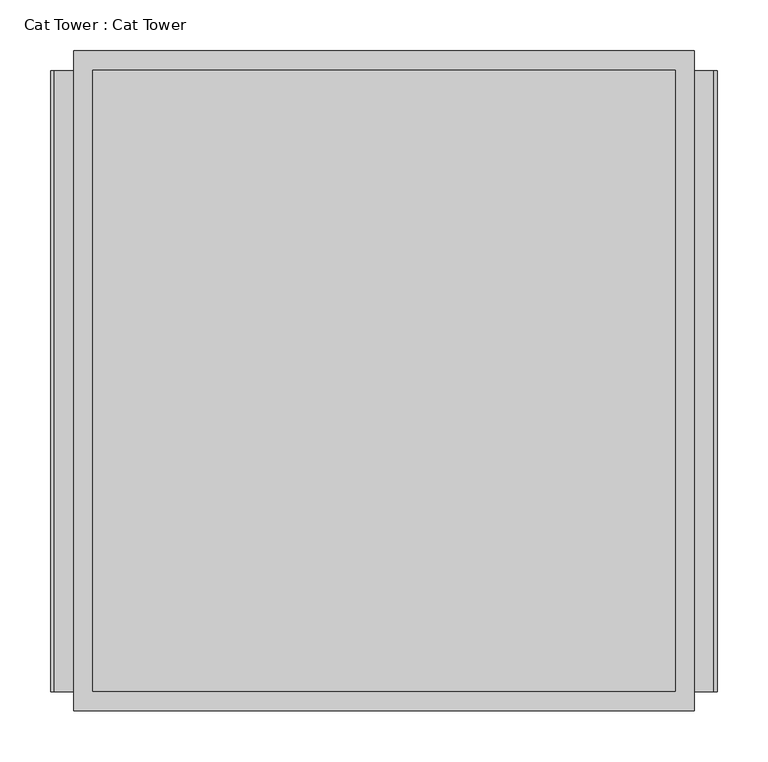
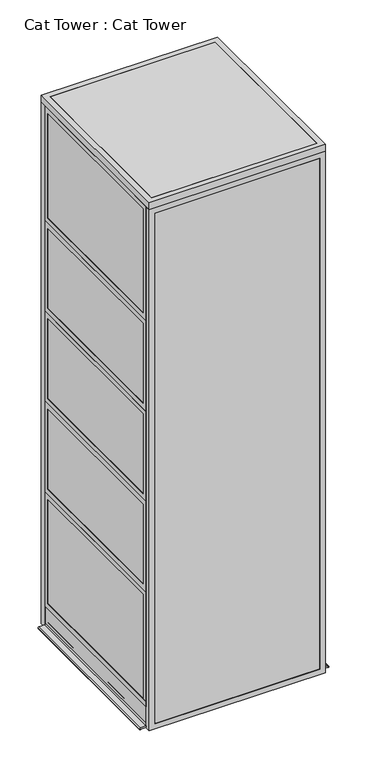
"""IFC4 building model written with IfcOpenShell, lengths in millimetres: proxy geometry, Cat Tower : Cat Tower."""

from ifc_helpers import new_model, si_unit, point, frame, frame_2d, origin, place, context, project, spatial, polyline, circle_curve, trimmed, segment, composite_curve, outline, extrude, source, transform, mapped, element, save


def cat_tower_cat_tower_0c4d3be6(model_context):
    return source(origin(), model_context, "Body", "SweptSolid", [
        extrude(outline(polyline([(0.0, 609.6), (1905.0, 609.6), (1905.0, 0.0), (0.0, 0.0), (0.0, 609.6)]), holes=[polyline([(476.25, 590.55), (19.05, 590.55), (19.05, 19.05), (476.25, 19.05), (476.25, 590.55)]), polyline([(514.35, 19.05), (1885.95, 19.05), (1885.95, 590.55), (514.35, 590.55), (514.35, 19.05)])]), frame((0.0, 609.6, 0.0), z_axis=(0.0, 1.0, 0.0), x_axis=(0.0, 0.0, 1.0)), (0.0, 0.0, 1.0), 19.05),
        extrude(outline(polyline([(549.2810162, 627.0625), (549.2810162, 623.8875), (60.3189838, 623.8875), (60.3189838, 627.0625), (549.2810162, 627.0625)])), frame((0.0, 0.0, 60.325), z_axis=(0.0, 0.0, 1.0), x_axis=(1.0, 0.0, 0.0)), (0.0, 0.0, 1.0), 374.65),
        extrude(outline(polyline([(536.575, 568.3310162), (1863.725, 568.3310162), (1863.725, 41.2689838), (536.575, 41.2689838), (536.575, 568.3310162)]), holes=[polyline([(1844.675, 60.3189838), (1844.675, 549.2810162), (555.625, 549.2810162), (555.625, 60.3189838), (1844.675, 60.3189838)])]), frame((0.0, 609.6, 0.0), z_axis=(0.0, 1.0, 0.0), x_axis=(0.0, 0.0, 1.0)), (0.0, 0.0, 1.0), 19.05),
        extrude(outline(polyline([(41.275, 568.3310162), (454.025, 568.3310162), (454.025, 41.2689838), (41.275, 41.2689838), (41.275, 568.3310162)]), holes=[polyline([(434.975, 60.3189838), (434.975, 549.2810162), (60.325, 549.2810162), (60.325, 60.3189838), (434.975, 60.3189838)])]), frame((0.0, 609.6, 0.0), z_axis=(0.0, 1.0, 0.0), x_axis=(0.0, 0.0, 1.0)), (0.0, 0.0, 1.0), 19.05),
        extrude(outline(polyline([(549.2810162, 627.0625), (549.2810162, 623.8875), (60.3189838, 623.8875), (60.3189838, 627.0625), (549.2810162, 627.0625)])), frame((0.0, 0.0, 555.625), z_axis=(0.0, 0.0, 1.0), x_axis=(1.0, 0.0, 0.0)), (0.0, 0.0, 1.0), 1289.05),
        extrude(outline(polyline([(0.0, 495.3), (0.0, 825.5), (609.6, 825.5), (609.6, 495.3), (0.0, 495.3)]), holes=[polyline([(19.05, 806.45), (19.05, 514.35), (590.55, 514.35), (590.55, 806.45), (19.05, 806.45)])]), frame((0.0, 0.0, 0.0), z_axis=(1.0, 0.0, 0.0), x_axis=(0.0, 1.0, 0.0)), (0.0, 0.0, 1.0), 19.05),
        extrude(outline(polyline([(0.0, 825.5), (0.0, 1155.7), (609.6, 1155.7), (609.6, 825.5), (0.0, 825.5)]), holes=[polyline([(19.05, 1136.65), (19.05, 844.55), (590.55, 844.55), (590.55, 1136.65), (19.05, 1136.65)])]), frame((0.0, 0.0, 0.0), z_axis=(1.0, 0.0, 0.0), x_axis=(0.0, 1.0, 0.0)), (0.0, 0.0, 1.0), 19.05),
        extrude(outline(polyline([(0.0, 1155.7), (0.0, 1485.9), (609.6, 1485.9), (609.6, 1155.7), (0.0, 1155.7)]), holes=[polyline([(19.05, 1466.85), (19.05, 1174.75), (590.55, 1174.75), (590.55, 1466.85), (19.05, 1466.85)])]), frame((0.0, 0.0, 0.0), z_axis=(1.0, 0.0, 0.0), x_axis=(0.0, 1.0, 0.0)), (0.0, 0.0, 1.0), 19.05),
        extrude(outline(polyline([(0.0, 495.3), (609.6, 495.3), (609.6, 76.99375), (0.0, 76.99375), (0.0, 495.3)]), holes=[polyline([(590.55, 96.04375), (590.55, 476.25), (19.05, 476.25), (19.05, 96.04375), (590.55, 96.04375)])]), frame((0.0, 0.0, 0.0), z_axis=(1.0, 0.0, 0.0), x_axis=(0.0, 1.0, 0.0)), (0.0, 0.0, 1.0), 19.05),
        extrude(outline(polyline([(0.0, 1485.9), (0.0, 1905.0), (609.6, 1905.0), (609.6, 1485.9), (0.0, 1485.9)]), holes=[polyline([(19.05, 1885.95), (19.05, 1504.95), (590.55, 1504.95), (590.55, 1885.95), (19.05, 1885.95)])]), frame((0.0, 0.0, 0.0), z_axis=(1.0, 0.0, 0.0), x_axis=(0.0, 1.0, 0.0)), (0.0, 0.0, 1.0), 19.05),
        extrude(outline(polyline([(17.4625, 19.05), (1.5875, 19.05), (1.5875, 590.55), (17.4625, 590.55), (17.4625, 19.05)])), frame((0.0, 0.0, 514.35), z_axis=(0.0, 0.0, 1.0), x_axis=(1.0, 0.0, 0.0)), (0.0, 0.0, 1.0), 292.1),
        extrude(outline(polyline([(17.4625, 19.05), (1.5875, 19.05), (1.5875, 590.55), (17.4625, 590.55), (17.4625, 19.05)])), frame((0.0, 0.0, 844.55), z_axis=(0.0, 0.0, 1.0), x_axis=(1.0, 0.0, 0.0)), (0.0, 0.0, 1.0), 292.1),
        extrude(outline(polyline([(17.4625, 19.05), (1.5875, 19.05), (1.5875, 590.55), (17.4625, 590.55), (17.4625, 19.05)])), frame((0.0, 0.0, 1174.75), z_axis=(0.0, 0.0, 1.0), x_axis=(1.0, 0.0, 0.0)), (0.0, 0.0, 1.0), 292.1),
        extrude(outline(polyline([(17.4625, 19.05), (1.5875, 19.05), (1.5875, 590.55), (17.4625, 590.55), (17.4625, 19.05)])), frame((0.0, 0.0, 96.04375), z_axis=(0.0, 0.0, 1.0), x_axis=(1.0, 0.0, 0.0)), (0.0, 0.0, 1.0), 380.20625),
        extrude(outline(polyline([(17.4625, 19.05), (1.5875, 19.05), (1.5875, 590.55), (17.4625, 590.55), (17.4625, 19.05)])), frame((0.0, 0.0, 1504.95), z_axis=(0.0, 0.0, 1.0), x_axis=(1.0, 0.0, 0.0)), (0.0, 0.0, 1.0), 381.0),
        extrude(outline(polyline([(0.0, 495.3), (0.0, 825.5), (609.6, 825.5), (609.6, 495.3), (0.0, 495.3)]), holes=[polyline([(19.05, 806.45), (19.05, 514.35), (590.55, 514.35), (590.55, 806.45), (19.05, 806.45)])]), frame((590.55, 0.0, 0.0), z_axis=(1.0, 0.0, 0.0), x_axis=(0.0, 1.0, 0.0)), (0.0, 0.0, 1.0), 19.05),
        extrude(outline(polyline([(0.0, 825.5), (0.0, 1155.7), (609.6, 1155.7), (609.6, 825.5), (0.0, 825.5)]), holes=[polyline([(19.05, 1136.65), (19.05, 844.55), (590.55, 844.55), (590.55, 1136.65), (19.05, 1136.65)])]), frame((590.55, 0.0, 0.0), z_axis=(1.0, 0.0, 0.0), x_axis=(0.0, 1.0, 0.0)), (0.0, 0.0, 1.0), 19.05),
        extrude(outline(polyline([(0.0, 1155.7), (0.0, 1485.9), (609.6, 1485.9), (609.6, 1155.7), (0.0, 1155.7)]), holes=[polyline([(19.05, 1466.85), (19.05, 1174.75), (590.55, 1174.75), (590.55, 1466.85), (19.05, 1466.85)])]), frame((590.55, 0.0, 0.0), z_axis=(1.0, 0.0, 0.0), x_axis=(0.0, 1.0, 0.0)), (0.0, 0.0, 1.0), 19.05),
        extrude(outline(polyline([(0.0, 495.3), (609.6, 495.3), (609.6, 76.99375), (0.0, 76.99375), (0.0, 495.3)]), holes=[polyline([(590.55, 96.04375), (590.55, 476.25), (19.05, 476.25), (19.05, 96.04375), (590.55, 96.04375)])]), frame((590.55, 0.0, 0.0), z_axis=(1.0, 0.0, 0.0), x_axis=(0.0, 1.0, 0.0)), (0.0, 0.0, 1.0), 19.05),
        extrude(outline(polyline([(0.0, 1485.9), (0.0, 1905.0), (609.6, 1905.0), (609.6, 1485.9), (0.0, 1485.9)]), holes=[polyline([(19.05, 1885.95), (19.05, 1504.95), (590.55, 1504.95), (590.55, 1885.95), (19.05, 1885.95)])]), frame((590.55, 0.0, 0.0), z_axis=(1.0, 0.0, 0.0), x_axis=(0.0, 1.0, 0.0)), (0.0, 0.0, 1.0), 19.05),
        extrude(outline(polyline([(592.1375, 19.05), (592.1375, 590.55), (608.0125, 590.55), (608.0125, 19.05), (592.1375, 19.05)])), frame((0.0, 0.0, 514.35), z_axis=(0.0, 0.0, 1.0), x_axis=(1.0, 0.0, 0.0)), (0.0, 0.0, 1.0), 292.1),
        extrude(outline(polyline([(592.1375, 19.05), (592.1375, 590.55), (608.0125, 590.55), (608.0125, 19.05), (592.1375, 19.05)])), frame((0.0, 0.0, 844.55), z_axis=(0.0, 0.0, 1.0), x_axis=(1.0, 0.0, 0.0)), (0.0, 0.0, 1.0), 292.1),
        extrude(outline(polyline([(592.1375, 19.05), (592.1375, 590.55), (608.0125, 590.55), (608.0125, 19.05), (592.1375, 19.05)])), frame((0.0, 0.0, 1174.75), z_axis=(0.0, 0.0, 1.0), x_axis=(1.0, 0.0, 0.0)), (0.0, 0.0, 1.0), 292.1),
        extrude(outline(polyline([(592.1375, 19.05), (592.1375, 590.55), (608.0125, 590.55), (608.0125, 19.05), (592.1375, 19.05)])), frame((0.0, 0.0, 96.04375), z_axis=(0.0, 0.0, 1.0), x_axis=(1.0, 0.0, 0.0)), (0.0, 0.0, 1.0), 380.20625),
        extrude(outline(polyline([(592.1375, 19.05), (592.1375, 590.55), (608.0125, 590.55), (608.0125, 19.05), (592.1375, 19.05)])), frame((0.0, 0.0, 1504.95), z_axis=(0.0, 0.0, 1.0), x_axis=(1.0, 0.0, 0.0)), (0.0, 0.0, 1.0), 381.0),
        extrude(outline(polyline([(1905.0, 609.6), (1905.0, 0.0), (0.0, 0.0), (0.0, 609.6), (1905.0, 609.6)]), holes=[polyline([(19.05, 19.05), (1885.95, 19.05), (1885.95, 590.55), (19.05, 590.55), (19.05, 19.05)])]), frame((0.0, -19.05, 0.0), z_axis=(0.0, 1.0, 0.0), x_axis=(0.0, 0.0, 1.0)), (0.0, 0.0, 1.0), 19.05),
        extrude(outline(polyline([(590.55, -17.4625), (19.05, -17.4625), (19.05, -1.5875), (590.55, -1.5875), (590.55, -17.4625)])), frame((0.0, 0.0, 19.05), z_axis=(0.0, 0.0, 1.0), x_axis=(1.0, 0.0, 0.0)), (0.0, 0.0, 1.0), 1866.9),
        extrude(outline(polyline([(577.85, 596.9), (577.85, 12.7), (31.75, 12.7), (31.75, 596.9), (577.85, 596.9)]), holes=[composite_curve([segment(trimmed(circle_curve(frame_2d((438.15, 152.4)), 101.6), [point((336.55, 152.4))], [point((539.75, 152.4))], True, "CARTESIAN"), True, "CONTINUOUS"), segment(trimmed(circle_curve(frame_2d((438.15, 152.4)), 101.6), [point((539.75, 152.4))], [point((336.55, 152.4))], True, "CARTESIAN"), True, "CONTINUOUS")], self_intersect=False)]), frame((0.0, 0.0, 1473.2), z_axis=(0.0, 0.0, 1.0), x_axis=(1.0, 0.0, 0.0)), (0.0, 0.0, 1.0), 25.4),
        extrude(outline(polyline([(577.85, 596.9), (577.85, 12.7), (31.75, 12.7), (31.75, 596.9), (577.85, 596.9)]), holes=[composite_curve([segment(polyline([(69.85, 441.325), (69.85, 165.1)]), True, "CONTINUOUS"), segment(trimmed(circle_curve(frame_2d((146.05, 165.1)), 76.2), [point((69.85, 165.1))], [point((146.05, 88.9))], True, "CARTESIAN"), True, "CONTINUOUS"), segment(polyline([(146.05, 88.9), (241.3, 88.9)]), True, "CONTINUOUS"), segment(trimmed(circle_curve(frame_2d((241.3, 165.1)), 76.2), [point((241.3, 88.9))], [point((317.5, 165.1))], True, "CARTESIAN"), True, "CONTINUOUS"), segment(polyline([(317.5, 165.1), (317.5, 441.325)]), True, "CONTINUOUS"), segment(trimmed(circle_curve(frame_2d((241.3, 441.325)), 76.2), [point((317.5, 441.325))], [point((241.3, 517.525))], True, "CARTESIAN"), True, "CONTINUOUS"), segment(polyline([(241.3, 517.525), (146.05, 517.525)]), True, "CONTINUOUS"), segment(trimmed(circle_curve(frame_2d((146.05, 441.325)), 76.2), [point((146.05, 517.525))], [point((69.85, 441.325))], True, "CARTESIAN"), True, "CONTINUOUS")], self_intersect=False)]), frame((0.0, 0.0, 1143.0), z_axis=(0.0, 0.0, 1.0), x_axis=(1.0, 0.0, 0.0)), (0.0, 0.0, 1.0), 25.4),
        extrude(outline(polyline([(577.85, 596.9), (577.85, 12.7), (31.75, 12.7), (31.75, 596.9), (577.85, 596.9)]), holes=[composite_curve([segment(trimmed(circle_curve(frame_2d((438.15, 152.4)), 101.6), [point((336.55, 152.4))], [point((539.75, 152.4))], True, "CARTESIAN"), True, "CONTINUOUS"), segment(trimmed(circle_curve(frame_2d((438.15, 152.4)), 101.6), [point((539.75, 152.4))], [point((336.55, 152.4))], True, "CARTESIAN"), True, "CONTINUOUS")], self_intersect=False)]), frame((0.0, 0.0, 812.8), z_axis=(0.0, 0.0, 1.0), x_axis=(1.0, 0.0, 0.0)), (0.0, 0.0, 1.0), 25.4),
        extrude(outline(polyline([(577.85, 596.9), (577.85, 12.7), (31.75, 12.7), (31.75, 596.9), (577.85, 596.9)]), holes=[composite_curve([segment(polyline([(69.85, 441.325), (69.85, 165.1)]), True, "CONTINUOUS"), segment(trimmed(circle_curve(frame_2d((146.05, 165.1)), 76.2), [point((69.85, 165.1))], [point((146.05, 88.9))], True, "CARTESIAN"), True, "CONTINUOUS"), segment(polyline([(146.05, 88.9), (241.3, 88.9)]), True, "CONTINUOUS"), segment(trimmed(circle_curve(frame_2d((241.3, 165.1)), 76.2), [point((241.3, 88.9))], [point((317.5, 165.1))], True, "CARTESIAN"), True, "CONTINUOUS"), segment(polyline([(317.5, 165.1), (317.5, 441.325)]), True, "CONTINUOUS"), segment(trimmed(circle_curve(frame_2d((241.3, 441.325)), 76.2), [point((317.5, 441.325))], [point((241.3, 517.525))], True, "CARTESIAN"), True, "CONTINUOUS"), segment(polyline([(241.3, 517.525), (146.05, 517.525)]), True, "CONTINUOUS"), segment(trimmed(circle_curve(frame_2d((146.05, 441.325)), 76.2), [point((146.05, 517.525))], [point((69.85, 441.325))], True, "CARTESIAN"), True, "CONTINUOUS")], self_intersect=False)]), frame((0.0, 0.0, 482.6), z_axis=(0.0, 0.0, 1.0), x_axis=(1.0, 0.0, 0.0)), (0.0, 0.0, 1.0), 25.4),
        extrude(outline(composite_curve([segment(polyline([(0.0, 631.825), (3.1061831, 631.825)]), True, "CONTINUOUS"), segment(trimmed(circle_curve(frame_2d((3.1061831, 628.65)), 3.175), [point((3.1061831, 631.825))], [point((6.2811831, 628.65))], False, "CARTESIAN"), True, "CONTINUOUS"), segment(polyline([(6.2811831, 628.65), (7.0969435, 609.0717504)]), True, "CONTINUOUS"), segment(trimmed(circle_curve(frame_2d((13.4249331, 609.6)), 6.35), [point((7.0969435, 609.0717504))], [point((13.4249331, 603.25))], True, "CARTESIAN"), True, "CONTINUOUS"), segment(polyline([(13.4249331, 603.25), (13.4249331, 606.425), (76.9249331, 606.425), (76.9249331, 609.6), (95.9749331, 609.6), (95.9749331, 606.425), (80.0999331, 606.425), (80.0999331, 593.725), (95.9749331, 593.725), (95.9749331, 590.55), (76.9249331, 590.55), (76.9249331, 593.725), (13.4249331, 593.725), (13.4249331, 596.9)]), True, "CONTINUOUS"), segment(trimmed(circle_curve(frame_2d((13.4249331, 590.55)), 6.35), [point((13.4249331, 596.9))], [point((7.0969435, 591.0782496))], True, "CARTESIAN"), True, "CONTINUOUS"), segment(polyline([(7.0969435, 591.0782496), (6.2811831, 571.5)]), True, "CONTINUOUS"), segment(trimmed(circle_curve(frame_2d((3.1061831, 571.5)), 3.175), [point((6.2811831, 571.5))], [point((3.1061831, 568.325))], False, "CARTESIAN"), True, "CONTINUOUS"), segment(polyline([(3.1061831, 568.325), (0.0, 568.325), (0.0, 571.340324), (1.5186831, 571.340324), (1.5186831, 628.65), (0.0, 628.65), (0.0, 631.825)]), True, "CONTINUOUS")], self_intersect=False)), frame((0.0, 0.0, 0.0), z_axis=(0.0, 1.0, 0.0), x_axis=(0.0, 0.0, 1.0)), (0.0, 0.0, 1.0), 609.6),
        extrude(outline(composite_curve([segment(polyline([(0.0, 41.275), (3.1061831, 41.275)]), True, "CONTINUOUS"), segment(trimmed(circle_curve(frame_2d((3.1061831, 38.1)), 3.175), [point((3.1061831, 41.275))], [point((6.2811831, 38.1))], False, "CARTESIAN"), True, "CONTINUOUS"), segment(polyline([(6.2811831, 38.1), (7.0969435, 18.5217504)]), True, "CONTINUOUS"), segment(trimmed(circle_curve(frame_2d((13.4249331, 19.05)), 6.35), [point((7.0969435, 18.5217504))], [point((13.4249331, 12.7))], True, "CARTESIAN"), True, "CONTINUOUS"), segment(polyline([(13.4249331, 12.7), (13.4249331, 15.875), (76.9249331, 15.875), (76.9249331, 19.05), (95.9749331, 19.05), (95.9749331, 15.875), (80.0999331, 15.875), (80.0999331, 3.175), (95.9749331, 3.175), (95.9749331, 0.0), (76.9249331, 0.0), (76.9249331, 3.175), (13.4249331, 3.175), (13.4249331, 6.35)]), True, "CONTINUOUS"), segment(trimmed(circle_curve(frame_2d((13.4249331, 0.0)), 6.35), [point((13.4249331, 6.35))], [point((7.0969435, 0.5282496))], True, "CARTESIAN"), True, "CONTINUOUS"), segment(polyline([(7.0969435, 0.5282496), (6.2811831, -19.05)]), True, "CONTINUOUS"), segment(trimmed(circle_curve(frame_2d((3.1061831, -19.05)), 3.175), [point((6.2811831, -19.05))], [point((3.1061831, -22.225))], False, "CARTESIAN"), True, "CONTINUOUS"), segment(polyline([(3.1061831, -22.225), (0.0, -22.225), (0.0, -19.05), (1.5186831, -19.05), (1.5186831, 38.1), (0.0, 38.1), (0.0, 41.275)]), True, "CONTINUOUS")], self_intersect=False)), frame((0.0, 0.0, 0.0), z_axis=(0.0, 1.0, 0.0), x_axis=(0.0, 0.0, 1.0)), (0.0, 0.0, 1.0), 609.6),
        extrude(outline(polyline([(0.0, -19.05), (0.0, 628.65), (609.6, 628.65), (609.6, -19.05), (0.0, -19.05)]), holes=[polyline([(19.05, 0.0), (590.55, 0.0), (590.55, 609.6), (19.05, 609.6), (19.05, 0.0)])]), frame((0.0, 0.0, 1905.0), z_axis=(0.0, 0.0, 1.0), x_axis=(1.0, 0.0, 0.0)), (0.0, 0.0, 1.0), 25.4),
        extrude(outline(polyline([(590.55, 609.6), (590.55, 0.0), (19.05, 0.0), (19.05, 609.6), (590.55, 609.6)])), frame((0.0, 0.0, 1927.225), z_axis=(0.0, 0.0, 1.0), x_axis=(1.0, 0.0, 0.0)), (0.0, 0.0, 1.0), 3.175),
    ])


if __name__ == "__main__":
    model = new_model("IFC4")
    model_context = context("Model", 3, world=origin())
    ifc_project = project(units=[si_unit("LENGTHUNIT", "METRE", prefix="MILLI")], contexts=[model_context])
    site = spatial("IfcSite", under=ifc_project)
    building = spatial("IfcBuilding", under=site)
    placement = place(None, origin())
    cat_tower_cat_tower_shape = cat_tower_cat_tower_0c4d3be6(model_context)
    element("IfcBuildingElementProxy", 1, Name="Cat Tower : Cat Tower", ObjectType="Cat Tower : Cat Tower", at=placement, inside=building, context=model_context, shape_type="MappedRepresentation", body=[
        mapped(cat_tower_cat_tower_shape, transform((0.0, 0.0, 0.0), x_axis=(1.0, 0.0, 0.0), y_axis=(0.0, 1.0, 0.0), z_axis=(0.0, 0.0, 1.0))),
    ])
    save(model, "model.ifc")
